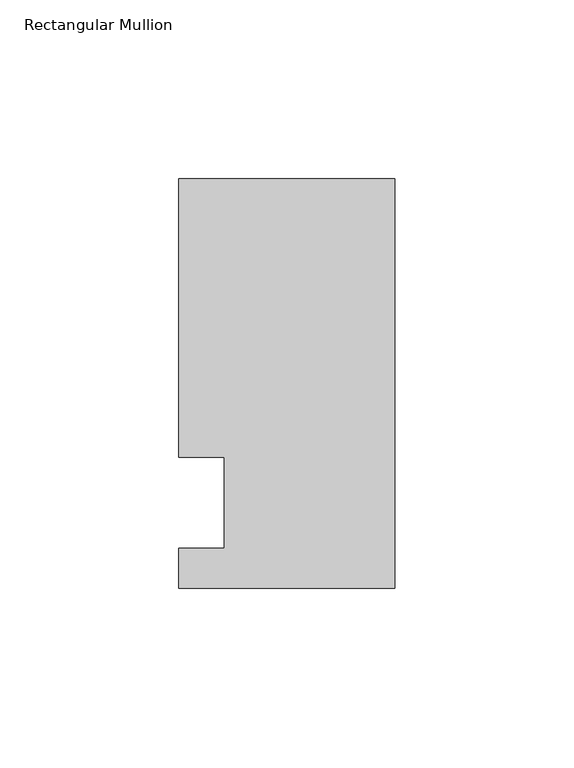
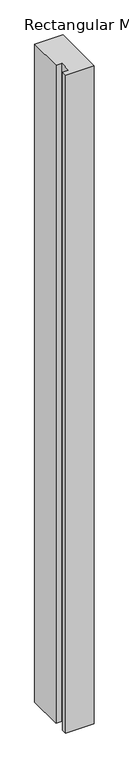
"""IFC4 building model written with IfcOpenShell, lengths in millimetres: member geometry, Rectangular Mullion."""

from ifc_helpers import new_model, si_unit, frame, origin, place, context, project, spatial, polyline, outline, extrude, source, transform, mapped, element, save


def rectangular_mullion_71455718(model_context):
    return source(origin(), model_context, "Body", "SweptSolid", [
        extrude(outline(polyline([(-60.325, 90.4875), (0.0, 90.4875), (0.0, -23.8125), (-60.325, -23.8125), (-60.325, -12.7), (-47.6232296, -12.7), (-47.6232296, 12.7), (-60.325, 12.7), (-60.325, 90.4875)])), frame((0.0, 0.0, -1478.28), z_axis=(0.0, 0.0, 1.0), x_axis=(1.0, 0.0, 0.0)), (0.0, 0.0, 1.0), 1478.28),
    ])


if __name__ == "__main__":
    model = new_model("IFC4")
    model_context = context("Model", 3, world=origin())
    ifc_project = project(units=[si_unit("LENGTHUNIT", "METRE", prefix="MILLI")], contexts=[model_context])
    site = spatial("IfcSite", under=ifc_project)
    building = spatial("IfcBuilding", under=site)
    placement = place(None, origin())
    rectangular_mullion_shape = rectangular_mullion_71455718(model_context)
    element("IfcMember", 1, ObjectType="Rectangular Mullion", at=placement, inside=building, context=model_context, shape_type="MappedRepresentation", body=[
        mapped(rectangular_mullion_shape, transform((0.0, 0.0, 0.0), x_axis=(1.0, 0.0, 0.0), y_axis=(0.0, 1.0, 0.0), z_axis=(0.0, 0.0, 1.0))),
    ])
    save(model, "model.ifc")
